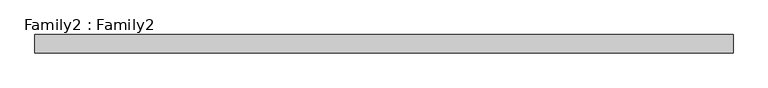
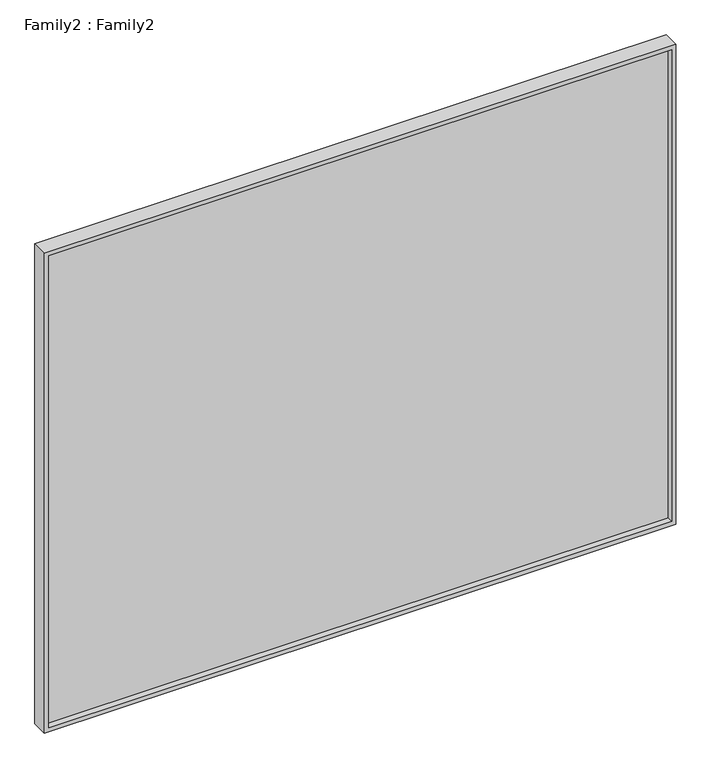
"""IFC4 building model written with IfcOpenShell, lengths in millimetres: plate geometry, Family2 : Family2."""

from ifc_helpers import new_model, si_unit, frame, origin, place, context, project, spatial, polyline, outline, extrude, source, transform, mapped, element, save


def family2_family2_53494cf6(model_context):
    return source(origin(), model_context, "Body", "SweptSolid", [
        extrude(outline(polyline([(2450.0, -1525.0), (0.0, -1525.0), (0.0, 1525.0), (2450.0, 1525.0), (2450.0, -1525.0)]), holes=[polyline([(20.0, -1505.0), (2430.0, -1505.0), (2430.0, 1505.0), (20.0, 1505.0), (20.0, -1505.0)])]), frame((0.0, -40.0, 0.0), z_axis=(0.0, 1.0, 0.0), x_axis=(0.0, 0.0, 1.0)), (0.0, 0.0, 1.0), 80.0),
        extrude(outline(polyline([(1505.0, -10.0), (-1505.0, -10.0), (-1505.0, 10.0), (1505.0, 10.0), (1505.0, -10.0)])), frame((0.0, 0.0, 20.0), z_axis=(0.0, 0.0, 1.0), x_axis=(1.0, 0.0, 0.0)), (0.0, 0.0, 1.0), 2410.0),
    ])


if __name__ == "__main__":
    model = new_model("IFC4")
    model_context = context("Model", 3, world=origin())
    ifc_project = project(units=[si_unit("LENGTHUNIT", "METRE", prefix="MILLI")], contexts=[model_context])
    site = spatial("IfcSite", under=ifc_project)
    building = spatial("IfcBuilding", under=site)
    placement = place(None, origin())
    family2_family2_shape = family2_family2_53494cf6(model_context)
    element("IfcPlate", 1, ObjectType="Family2 : Family2", at=placement, inside=building, context=model_context, shape_type="MappedRepresentation", body=[
        mapped(family2_family2_shape, transform((0.0, 0.0, 0.0), x_axis=(1.0, 0.0, 0.0), y_axis=(0.0, 1.0, 0.0), z_axis=(0.0, 0.0, 1.0))),
    ])
    save(model, "model.ifc")
